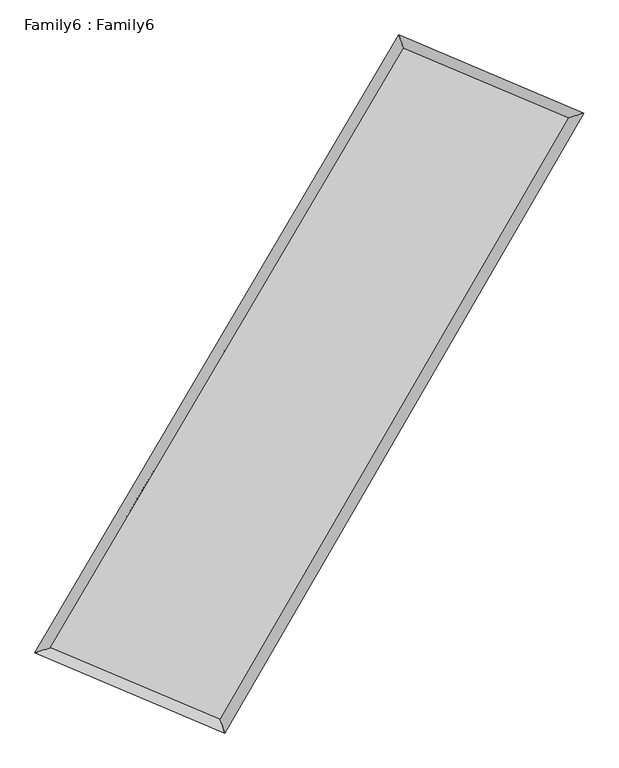
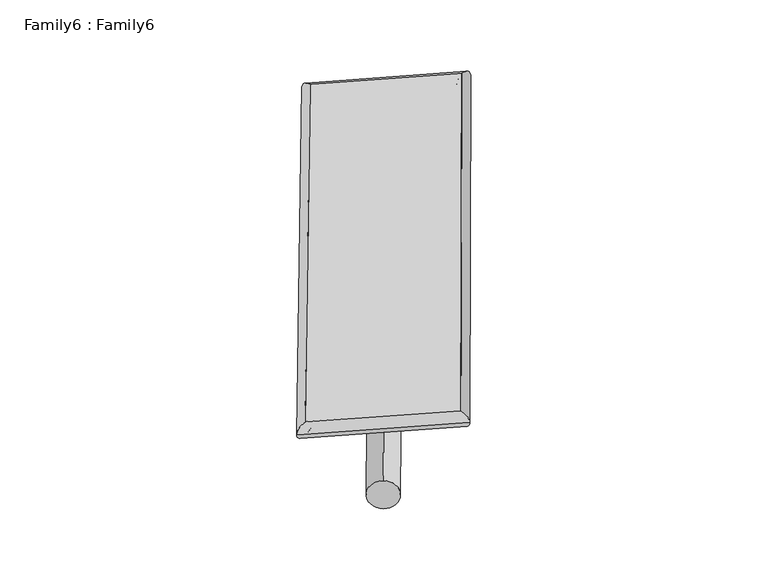
"""IFC4 building model written with IfcOpenShell, lengths in millimetres: plate geometry, Family6 : Family6."""

from ifc_helpers import new_model, si_unit, point, frame, origin, origin_2d, place, context, project, spatial, circle_curve, ellipse_curve, trimmed, segment, composite_curve, outline, extrude, source, transform, mapped, element, save
from ifc_brep_helpers import plane_surface, cylinder_surface, spline_surface, advanced_brep


def family6_family6_59f500b6(model_context):
    return source(origin(), model_context, "Body", "SolidModel", [
        extrude(outline(composite_curve([segment(trimmed(circle_curve(origin_2d(), 76.2), [point((-75.4341514, -10.7763074))], [point((75.4341514, 10.7763074))], False, "CARTESIAN"), True, "CONTINUOUS"), segment(trimmed(circle_curve(origin_2d(), 76.2), [point((75.4341514, 10.7763074))], [point((-75.4341514, -10.7763074))], False, "CARTESIAN"), True, "CONTINUOUS")], self_intersect=False)), frame((9144.0, 9144.0, 0.0), z_axis=(0.6731852395671883, 0.690987144204945, 0.26335982945840847), x_axis=(-0.6819749401139216, 0.7178216669418219, -0.14015075998893944)), (0.0, 0.0, 1.0), 5786.8649643),
        extrude(outline(composite_curve([segment(trimmed(circle_curve(origin_2d(), 76.2), [point((-53.8815367, 53.8815368))], [point((53.8815367, -53.8815368))], False, "CARTESIAN"), True, "CONTINUOUS"), segment(trimmed(circle_curve(origin_2d(), 76.2), [point((53.8815367, -53.8815368))], [point((-53.8815367, 53.8815368))], False, "CARTESIAN"), True, "CONTINUOUS")], self_intersect=False)), frame((9144.0, 9144.0, 0.0), z_axis=(-0.6777614904852061, -0.6867471667875016, 0.2627121826726191), x_axis=(0.6345013754472674, -0.36571360583940754, 0.6809269880533921)), (0.0, 0.0, 1.0), 5801.7437348),
        extrude(outline(composite_curve([segment(trimmed(circle_curve(origin_2d(), 76.2), [point((-53.8815368, -53.8815367))], [point((53.8815368, 53.8815367))], False, "CARTESIAN"), True, "CONTINUOUS"), segment(trimmed(circle_curve(origin_2d(), 76.2), [point((53.8815368, 53.8815367))], [point((-53.8815368, -53.8815367))], False, "CARTESIAN"), True, "CONTINUOUS")], self_intersect=False)), frame((9144.0, 9144.0, 0.0), z_axis=(0.2552247285973008, 0.9258447927320486, 0.27869653331784444), x_axis=(-0.8442203072286748, 0.3538990100192977, -0.40255131793360605)), (0.0, 0.0, 1.0), 5460.2200019),
        extrude(outline(composite_curve([segment(trimmed(circle_curve(origin_2d(), 76.2), [point((-75.4341514, 10.7763074))], [point((75.4341514, -10.7763074))], False, "CARTESIAN"), True, "CONTINUOUS"), segment(trimmed(circle_curve(origin_2d(), 76.2), [point((75.4341514, -10.7763074))], [point((-75.4341514, 10.7763074))], False, "CARTESIAN"), True, "CONTINUOUS")], self_intersect=False)), frame((9144.0, 9144.0, 0.0), z_axis=(-0.2483953851349923, -0.92778169701704, 0.2784256728892298), x_axis=(0.8855385001887819, -0.10100517429227836, 0.4534528855896599)), (0.0, 0.0, 1.0), 5466.3252566),
        advanced_brep(
        [(4992.1140264, 5087.0149866, 1524.0289173), (4992.1138517, 5087.014762, 1524.3997221), (5431.4890114, 5232.3228688, 1524.3486025), (10601.1767047, 14007.0261185, 1521.9758707), (10473.9896315, 14391.6063933, 1521.5129006), (5431.4891861, 5232.3230934, 1523.9777977), (12821.1407493, 13069.489426, 1524.0018229), (13258.1234054, 13215.8091652, 1524.0537173), (7721.6728906, 4265.1240879, 1521.9997903), (7850.7071747, 3879.7628662, 1521.9307853)],
        [
            (0, 1, ellipse_curve(frame((5211.8015189, 5159.6689277, 1524.1887599), z_axis=(-0.3139897836613114, 0.9494262653303451, 0.00042715008590360536), x_axis=(-0.9494260385018319, -0.31399001615398475, 0.0006834986015839177)), 231.3900323, 152.4)),
            (1, 2, ellipse_curve(frame((5211.8015189, 5159.6689277, 1524.1887599), z_axis=(-0.3139897836613114, 0.9494262653303451, 0.00042715008590360536), x_axis=(-0.9494260385018319, -0.31399001615398475, 0.0006834986015839177)), 231.3900323, 152.4)),
            (2, 3),
            (3, 4, ellipse_curve(frame((10537.5831681, 14199.3162559, 1521.7443857), z_axis=(-0.9494257647805657, -0.313991328060756, -0.000403823576237838), x_axis=(0.31399093685080387, -0.9494256301564638, 0.0008150935875459548)), 202.5331869, 152.4)),
            (4, 0),
            (2, 5, ellipse_curve(frame((5211.8015189, 5159.6689277, 1524.1887599), z_axis=(-0.3139897836613114, 0.9494262653303451, 0.00042715008590360536), x_axis=(-0.9494260385018319, -0.31399001615398475, 0.0006834986015839177)), 231.3900323, 152.4)),
            (5, 0, ellipse_curve(frame((5211.8015189, 5159.6689277, 1524.1887599), z_axis=(-0.3139897836613114, 0.9494262653303451, 0.00042715008590360536), x_axis=(-0.9494260385018319, -0.31399001615398475, 0.0006834986015839177)), 231.3900323, 152.4)),
            (4, 3, ellipse_curve(frame((10537.5831681, 14199.3162559, 1521.7443857), z_axis=(-0.9494257647805657, -0.313991328060756, -0.000403823576237838), x_axis=(0.31399093685080387, -0.9494256301564638, 0.0008150935875459548)), 202.5331869, 152.4)),
            (3, 6),
            (6, 7, ellipse_curve(frame((13039.6320773, 13142.6492956, 1524.0277701), z_axis=(-0.31751412877808044, 0.9482534160571071, -0.0004867877602408864), x_axis=(-0.9482531947049171, -0.3175144097118442, -0.0006916337599569872)), 230.4145189, 152.4)),
            (7, 4),
            (7, 6, ellipse_curve(frame((13039.6320773, 13142.6492956, 1524.0277701), z_axis=(-0.31751412877808044, 0.9482534160571071, -0.0004867877602408864), x_axis=(-0.9482531947049171, -0.3175144097118442, -0.0006916337599569872)), 230.4145189, 152.4)),
            (6, 8),
            (8, 9, ellipse_curve(frame((7786.1900326, 4072.443477, 1521.9652878), z_axis=(0.9482537687438851, 0.3175131976306965, -0.00039924096539843115), x_axis=(-0.3175128495649622, 0.9482536725667844, 0.0007502164643638682)), 203.1952052, 152.4)),
            (9, 7),
            (9, 8, ellipse_curve(frame((7786.1900326, 4072.443477, 1521.9652878), z_axis=(0.9482537687438851, 0.3175131976306965, -0.00039924096539843115), x_axis=(-0.3175128495649622, 0.9482536725667844, 0.0007502164643638682)), 203.1952052, 152.4)),
            (8, 5),
            (1, 9),
        ],
        [
            cylinder_surface(frame((5211.8015189, 5159.6689277, 1524.1887599), z_axis=(-0.5076106953327579, -0.8615865178291726, 0.00023297810039018662), x_axis=(-0.861585951779882, 0.5076100062542573, -0.0013150080258723666)), 152.4),
            cylinder_surface(frame((10537.5831681, 14199.3162559, 1521.7443857), z_axis=(-0.9212167356336487, 0.3890488647958453, -0.0008407077664720141), x_axis=(0.3890494894691262, 0.9212165226187939, -0.0007830695687654157)), 152.4),
            cylinder_surface(frame((13039.6320773, 13142.6492956, 1524.0277701), z_axis=(0.5011984706222429, 0.8653323375027667, 0.00019676870375374384), x_axis=(0.8653323582593483, -0.5011984706222429, -5.2870028254442575e-05)), 152.4),
            cylinder_surface(frame((7786.1900326, 4072.443477, 1521.9652878), z_axis=(0.9212157461098947, -0.3890513026187744, -0.0007956442830586891), x_axis=(-0.3890510334785488, -0.9212160807743529, 0.00047525994370505573)), 152.4),
        ],
        [
            (0, [[1, 2, 3, 4, 5]]),
            (0, [[6, 7, -5, 8, -3]]),
            (1, [[-4, 9, 10, 11]]),
            (1, [[-8, -11, 12, -9]]),
            (2, [[-10, 13, 14, 15]]),
            (2, [[-12, -15, 16, -13]]),
            (3, [[-14, 17, -6, -2, 18]]),
            (3, [[-16, -18, -1, -7, -17]]),
        ],
    ),
        extrude(outline(composite_curve([segment(trimmed(circle_curve(origin_2d(), 304.8), [point((1e-07, -304.8))], [point((0.0, 304.8))], False, "CARTESIAN"), True, "CONTINUOUS"), segment(trimmed(circle_curve(origin_2d(), 304.8), [point((0.0, 304.8))], [point((1e-07, -304.8))], False, "CARTESIAN"), True, "CONTINUOUS")], self_intersect=False)), frame((6488.0848965, 4593.4345076, -4.25e-05), z_axis=(0.5040718902374095, 0.8636616985095987, 8.064546660784e-09), x_axis=(-0.8636616985095987, 0.5040718902374095, 2.181249570380781e-09)), (0.0, 0.0, 1.0), 10537.8425378),
        advanced_brep(
        [(5211.8015189, 5159.6689277, 1524.1887599), (7786.1900326, 4072.443477, 1521.9652878), (7786.1912251, 4072.4459941, 1674.3652878), (5211.8027114, 5159.6714448, 1676.5887599), (13039.6320773, 13142.6492956, 1524.0277701), (13039.6332699, 13142.6518127, 1676.4277701), (10537.5831681, 14199.3162559, 1521.7443857), (10537.5843606, 14199.318773, 1674.1443856)],
        [
            (0, 1),
            (1, 2),
            (2, 3),
            (3, 0),
            (1, 4),
            (4, 5),
            (5, 2),
            (4, 6),
            (6, 7),
            (7, 5),
            (6, 0),
            (3, 7),
        ],
        [
            plane_surface(frame((6498.9957758, 4616.0562024, 1523.0770238), z_axis=(-0.389051412314961, -0.9212160431963436, 1.8259435304653667e-05), x_axis=(0.9212157461098948, -0.38905130261877413, -0.0007956442830586894))),
            plane_surface(frame((10412.911055, 8607.5463863, 1522.9965289), z_axis=(0.8653323541051116, -0.5011984805809324, 1.5068772459531207e-06), x_axis=(0.5011984706222429, 0.8653323375027666, 0.00019676870375374356))),
            plane_surface(frame((11788.6076227, 13670.9827757, 1522.8860779), z_axis=(0.3890490163603656, 0.9212170550611974, -1.8259433278288806e-05), x_axis=(-0.9212167356336486, 0.38904886479584533, -0.0008407077664720142))),
            plane_surface(frame((7874.6923435, 9679.4925918, 1522.9665728), z_axis=(-0.8615865414051485, 0.5076107087787042, -1.6420945668119775e-06), x_axis=(-0.5076106953327584, -0.8615865178291722, 0.00023297810039018643))),
            spline_surface(1, 1, [[(7786.1912251, 4072.4459941, 1674.3652878), (5211.8027114, 5159.6714448, 1676.5887599)], [(13039.6332699, 13142.6518127, 1676.4277701), (10537.5843606, 14199.318773, 1674.1443856)]], [2, 2], [2, 2], [0.0, 1.0], [0.0, 1.0]),
            spline_surface(1, 1, [[(10537.5831681, 14199.3162559, 1521.7443857), (5211.8015189, 5159.6689277, 1524.1887599)], [(13039.6320773, 13142.6492956, 1524.0277701), (7786.1900326, 4072.443477, 1521.9652878)]], [2, 2], [2, 2], [0.0, 1.0], [0.0, 1.0]),
        ],
        [
            (0, [[1, 2, 3, 4]]),
            (1, [[5, 6, 7, -2]]),
            (2, [[8, 9, 10, -6]]),
            (3, [[11, -4, 12, -9]]),
            (4, [[-3, -7, -10, -12]]),
            (5, [[-11, -8, -5, -1]]),
        ],
    ),
    ])


if __name__ == "__main__":
    model = new_model("IFC4")
    model_context = context("Model", 3, world=origin())
    ifc_project = project(units=[si_unit("LENGTHUNIT", "METRE", prefix="MILLI")], contexts=[model_context])
    site = spatial("IfcSite", under=ifc_project)
    building = spatial("IfcBuilding", under=site)
    placement = place(None, origin())
    family6_family6_shape = family6_family6_59f500b6(model_context)
    element("IfcPlate", 1, ObjectType="Family6 : Family6", at=placement, inside=building, context=model_context, shape_type="MappedRepresentation", body=[
        mapped(family6_family6_shape, transform((0.0, 0.0, 0.0), x_axis=(1.0, 0.0, 0.0), y_axis=(0.0, 1.0, 0.0), z_axis=(0.0, 0.0, 1.0))),
    ])
    save(model, "model.ifc")
